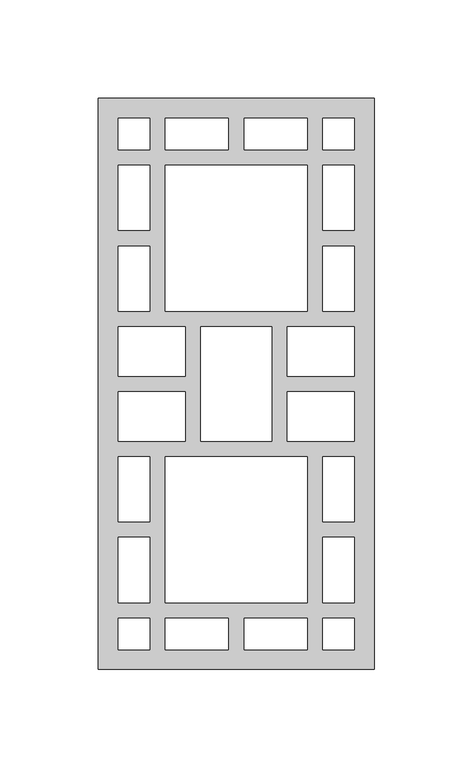
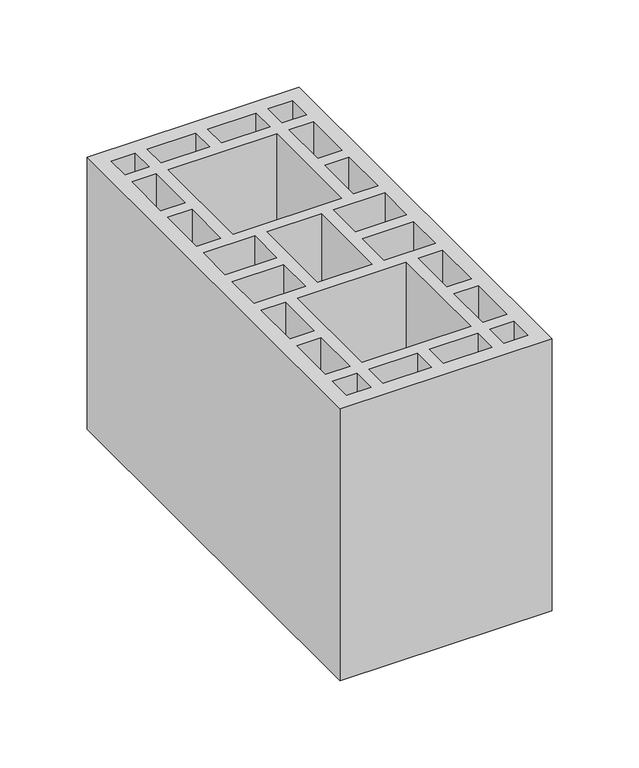
"""IFC4 building model written with IfcOpenShell, lengths in millimetres: proxy geometry."""

from ifc_helpers import new_model, si_unit, origin, origin_with_axes, place, context, project, spatial, polyline, outline, extrude, source, transform, mapped, element, save


def generic_models_63183d7a(model_context):
    return source(origin(), model_context, "Body", "SweptSolid", [
        extrude(outline(polyline([(140.0, 0.0), (0.0, 0.0), (0.0, 290.0), (140.0, 290.0), (140.0, 0.0)]), holes=[polyline([(114.0, 10.0), (130.0, 10.0), (130.0, 26.0), (114.0, 26.0), (114.0, 10.0)]), polyline([(106.0, 34.0), (106.0, 108.0), (34.0, 108.0), (34.0, 34.0), (106.0, 34.0)]), polyline([(10.0, 75.0), (26.0, 75.0), (26.0, 108.0), (10.0, 108.0), (10.0, 75.0)]), polyline([(26.0, 67.0330091), (10.0, 67.0330091), (10.0, 34.0), (26.0, 34.0), (26.0, 67.0330091)]), polyline([(44.0, 174.0282224), (10.0, 174.0282224), (10.0, 149.0282224), (44.0, 149.0282224), (44.0, 174.0282224)]), polyline([(26.0, 10.0), (26.0, 26.0), (10.0, 26.0), (10.0, 10.0), (26.0, 10.0)]), polyline([(34.0, 10.0), (66.0, 10.0), (66.0, 26.0), (34.0, 26.0), (34.0, 10.0)]), polyline([(106.0, 10.0), (106.0, 26.0), (74.0, 26.0), (74.0, 10.0), (106.0, 10.0)]), polyline([(130.0, 75.0), (130.0, 108.0), (114.0, 108.0), (114.0, 75.0), (130.0, 75.0)]), polyline([(114.0, 67.0330091), (114.0, 34.0), (130.0, 34.0), (130.0, 67.0330091), (114.0, 67.0330091)]), polyline([(52.0, 116.0282224), (88.0, 116.0282224), (88.0, 174.0282224), (52.0, 174.0282224), (52.0, 116.0282224)]), polyline([(44.0, 116.0282224), (44.0, 141.0282224), (10.0, 141.0282224), (10.0, 116.0282224), (44.0, 116.0282224)]), polyline([(96.0, 174.0282224), (96.0, 149.0282224), (130.0, 149.0282224), (130.0, 174.0282224), (96.0, 174.0282224)]), polyline([(96.0, 116.0282224), (130.0, 116.0282224), (130.0, 141.0282224), (96.0, 141.0282224), (96.0, 116.0282224)]), polyline([(114.0, 280.0), (114.0, 264.0), (130.0, 264.0), (130.0, 280.0), (114.0, 280.0)]), polyline([(106.0, 256.0), (34.0, 256.0), (34.0, 182.0), (106.0, 182.0), (106.0, 256.0)]), polyline([(10.0, 215.0), (10.0, 182.0), (26.0, 182.0), (26.0, 215.0), (10.0, 215.0)]), polyline([(26.0, 222.9669909), (26.0, 256.0), (10.0, 256.0), (10.0, 222.9669909), (26.0, 222.9669909)]), polyline([(26.0, 280.0), (10.0, 280.0), (10.0, 264.0), (26.0, 264.0), (26.0, 280.0)]), polyline([(34.0, 280.0), (34.0, 264.0), (66.0, 264.0), (66.0, 280.0), (34.0, 280.0)]), polyline([(106.0, 280.0), (74.0, 280.0), (74.0, 264.0), (106.0, 264.0), (106.0, 280.0)]), polyline([(130.0, 215.0), (114.0, 215.0), (114.0, 182.0), (130.0, 182.0), (130.0, 215.0)]), polyline([(114.0, 222.9669909), (130.0, 222.9669909), (130.0, 256.0), (114.0, 256.0), (114.0, 222.9669909)])]), origin_with_axes(), (0.0, 0.0, 1.0), 190.0),
    ])


if __name__ == "__main__":
    model = new_model("IFC4")
    model_context = context("Model", 3, world=origin())
    ifc_project = project(units=[si_unit("LENGTHUNIT", "METRE", prefix="MILLI")], contexts=[model_context])
    site = spatial("IfcSite", under=ifc_project)
    building = spatial("IfcBuilding", under=site)
    placement = place(None, origin())
    generic_models_shape = generic_models_63183d7a(model_context)
    element("IfcBuildingElementProxy", 1, Name="Generic Models", at=placement, inside=building, context=model_context, shape_type="MappedRepresentation", body=[
        mapped(generic_models_shape, transform((0.0, 0.0, 0.0), x_axis=(1.0, 0.0, 0.0), y_axis=(0.0, 1.0, 0.0), z_axis=(0.0, 0.0, 1.0))),
    ])
    save(model, "model.ifc")
